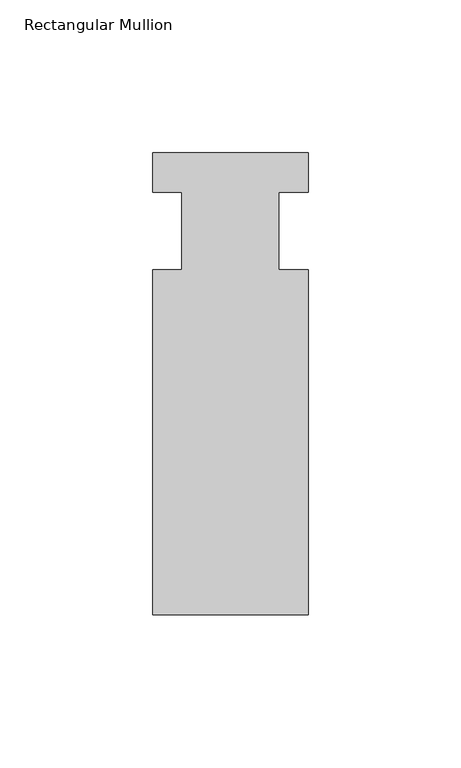
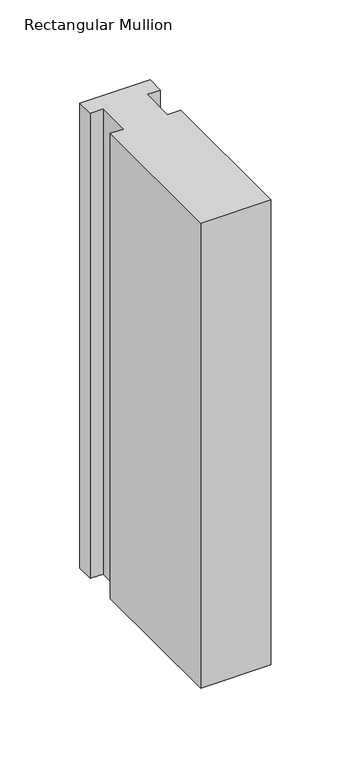
"""IFC4 building model written with IfcOpenShell, lengths in millimetres: member geometry, Rectangular Mullion."""

from ifc_helpers import new_model, si_unit, frame, origin, place, context, project, spatial, polyline, outline, extrude, source, transform, mapped, element, save


def rectangular_mullion_407bcdc2(model_context):
    return source(origin(), model_context, "Body", "SweptSolid", [
        extrude(outline(polyline([(-25.4, 25.5984375), (25.4, 25.5984375), (25.4, 12.7), (15.875, 12.7), (15.875, -12.7), (25.4, -12.7), (25.4, -125.6109375), (-25.4, -125.6109375), (-25.4, -12.7), (-15.875, -12.7), (-15.875, 12.7), (-25.4, 12.7), (-25.4, 25.5984375)])), frame((0.0, 0.0, -355.6), z_axis=(0.0, 0.0, 1.0), x_axis=(1.0, 0.0, 0.0)), (0.0, 0.0, 1.0), 355.6),
    ])


if __name__ == "__main__":
    model = new_model("IFC4")
    model_context = context("Model", 3, world=origin())
    ifc_project = project(units=[si_unit("LENGTHUNIT", "METRE", prefix="MILLI")], contexts=[model_context])
    site = spatial("IfcSite", under=ifc_project)
    building = spatial("IfcBuilding", under=site)
    placement = place(None, origin())
    rectangular_mullion_shape = rectangular_mullion_407bcdc2(model_context)
    element("IfcMember", 1, ObjectType="Rectangular Mullion", at=placement, inside=building, context=model_context, shape_type="MappedRepresentation", body=[
        mapped(rectangular_mullion_shape, transform((0.0, 0.0, 0.0), x_axis=(1.0, 0.0, 0.0), y_axis=(0.0, 1.0, 0.0), z_axis=(0.0, 0.0, 1.0))),
    ])
    save(model, "model.ifc")
